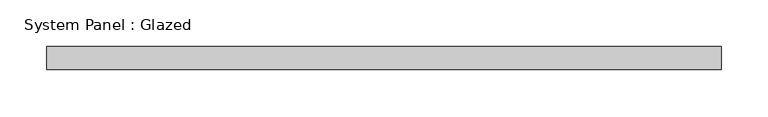
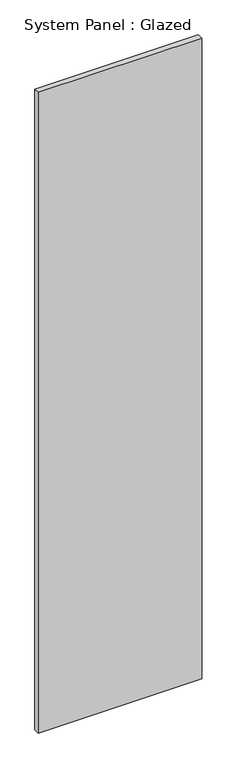
"""IFC4 building model written with IfcOpenShell, lengths in millimetres: plate geometry, System Panel : Glazed."""

from ifc_helpers import new_model, si_unit, origin, origin_with_axes, place, context, project, spatial, polyline, outline, extrude, source, transform, mapped, element, save


def system_panel_glazed_cbbe00a8(model_context):
    return source(origin(), model_context, "Body", "SweptSolid", [
        extrude(outline(polyline([(361.8884337, 24.5), (-361.8884337, 24.5), (-361.8884337, 49.5), (361.8884337, 49.5), (361.8884337, 24.5)])), origin_with_axes(), (0.0, 0.0, 1.0), 3000.0),
    ])


if __name__ == "__main__":
    model = new_model("IFC4")
    model_context = context("Model", 3, world=origin())
    ifc_project = project(units=[si_unit("LENGTHUNIT", "METRE", prefix="MILLI")], contexts=[model_context])
    site = spatial("IfcSite", under=ifc_project)
    building = spatial("IfcBuilding", under=site)
    placement = place(None, origin())
    system_panel_glazed_shape = system_panel_glazed_cbbe00a8(model_context)
    element("IfcPlate", 1, ObjectType="System Panel : Glazed", at=placement, inside=building, context=model_context, shape_type="MappedRepresentation", body=[
        mapped(system_panel_glazed_shape, transform((0.0, 0.0, 0.0), x_axis=(1.0, 0.0, 0.0), y_axis=(0.0, 1.0, 0.0), z_axis=(0.0, 0.0, 1.0))),
    ])
    save(model, "model.ifc")
